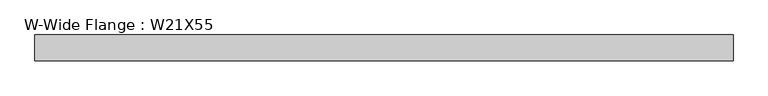
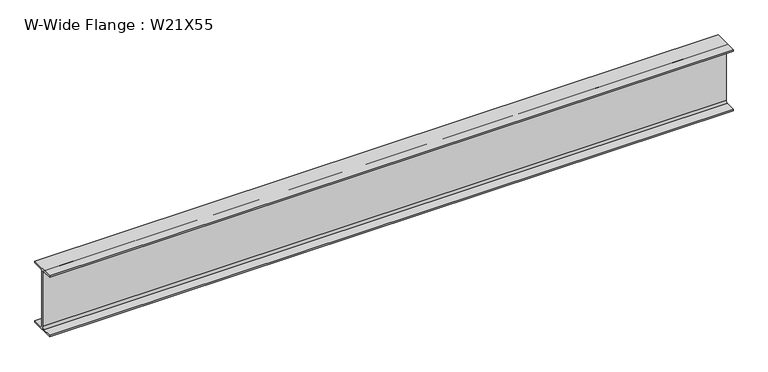
"""IFC4 building model written with IfcOpenShell, lengths in millimetres: beam geometry, W-Wide Flange : W21X55."""

from ifc_helpers import new_model, si_unit, point, frame, frame_2d, origin, place, context, project, spatial, polyline, circle_curve, trimmed, segment, composite_curve, outline, extrude, source, transform, mapped, element, save


def w_wide_flange_w21x55_24ed099c(model_context):
    return source(origin(), model_context, "Body", "SweptSolid", [
        extrude(outline(composite_curve([segment(polyline([(104.394, -250.9012), (104.394, -264.16), (-104.394, -264.16), (-104.394, -250.9012), (-21.6662, -250.9012)]), True, "CONTINUOUS"), segment(trimmed(circle_curve(frame_2d((-21.6662, -233.9975)), 16.9037), [point((-21.6662, -250.9012))], [point((-4.7625, -233.9975))], True, "CARTESIAN"), True, "CONTINUOUS"), segment(polyline([(-4.7625, -233.9975), (-4.7625, 233.9975)]), True, "CONTINUOUS"), segment(trimmed(circle_curve(frame_2d((-21.6662, 233.9975)), 16.9037), [point((-4.7625, 233.9975))], [point((-21.6662, 250.9012))], True, "CARTESIAN"), True, "CONTINUOUS"), segment(polyline([(-21.6662, 250.9012), (-104.394, 250.9012), (-104.394, 264.16), (104.394, 264.16), (104.394, 250.9012), (21.6662, 250.9012)]), True, "CONTINUOUS"), segment(trimmed(circle_curve(frame_2d((21.6662, 233.9975)), 16.9037), [point((21.6662, 250.9012))], [point((4.7625, 233.9975))], True, "CARTESIAN"), True, "CONTINUOUS"), segment(polyline([(4.7625, 233.9975), (4.7625, -233.9975)]), True, "CONTINUOUS"), segment(trimmed(circle_curve(frame_2d((21.6662, -233.9975)), 16.9037), [point((4.7625, -233.9975))], [point((21.6662, -250.9012))], True, "CARTESIAN"), True, "CONTINUOUS"), segment(polyline([(21.6662, -250.9012), (104.394, -250.9012)]), True, "CONTINUOUS")], self_intersect=False)), frame((-2743.2, 0.0, 0.0), z_axis=(1.0, 0.0, 0.0), x_axis=(0.0, 1.0, 0.0)), (0.0, 0.0, 1.0), 5591.175),
    ])


if __name__ == "__main__":
    model = new_model("IFC4")
    model_context = context("Model", 3, world=origin())
    ifc_project = project(units=[si_unit("LENGTHUNIT", "METRE", prefix="MILLI")], contexts=[model_context])
    site = spatial("IfcSite", under=ifc_project)
    building = spatial("IfcBuilding", under=site)
    placement = place(None, origin())
    w_wide_flange_w21x55_shape = w_wide_flange_w21x55_24ed099c(model_context)
    element("IfcBeam", 1, ObjectType="W-Wide Flange : W21X55", at=placement, inside=building, context=model_context, shape_type="MappedRepresentation", body=[
        mapped(w_wide_flange_w21x55_shape, transform((0.0, 0.0, 0.0), x_axis=(1.0, 0.0, 0.0), y_axis=(0.0, 1.0, 0.0), z_axis=(0.0, 0.0, 1.0))),
    ])
    save(model, "model.ifc")
